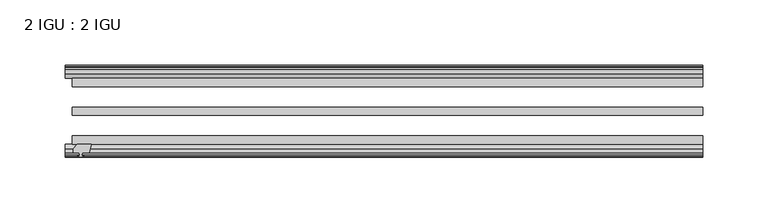
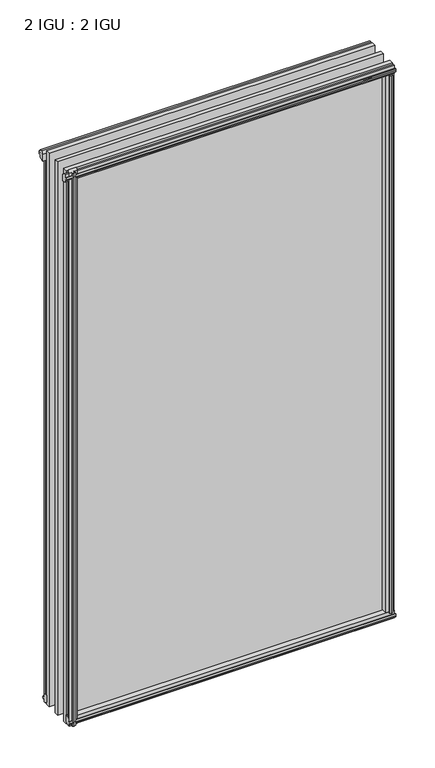
"""IFC4 building model written with IfcOpenShell, lengths in millimetres: plate geometry, 2 IGU : 2 IGU."""

from ifc_helpers import new_model, si_unit, frame, origin, origin_with_axes, place, context, project, spatial, polyline, outline, extrude, source, transform, mapped, element, save


def plate_2_igu_2_igu_c2550a8d(model_context):
    return source(origin(), model_context, "Body", "SweptSolid", [
        extrude(outline(polyline([(-226.2483627, -69.9960936), (-227.9660808, -76.3460936), (-233.1730808, -76.3460936), (-233.5540808, -78.7262905), (-232.1385517, -78.2663573), (-232.1385517, -79.0675715), (-234.3160808, -79.7750936), (-236.4936098, -79.0675715), (-236.4936098, -78.2663573), (-235.0780808, -78.7262905), (-235.4590808, -76.3460936), (-239.9040808, -76.3460936), (-239.9040808, -73.3996936), (-237.0697386, -69.9960936), (-226.2483627, -69.9960936)])), frame((0.0, 0.0, -12.303125), z_axis=(0.0, 0.0, 1.0), x_axis=(1.0, 0.0, 0.0)), (0.0, 0.0, 1.0), 862.961825),
        extrude(outline(polyline([(232.6592517, -10.4746158), (234.8367808, -9.7670937), (237.0143098, -10.4746158), (237.0143098, -11.27583), (235.5987808, -10.8158968), (235.9797808, -13.1960937), (240.4247808, -13.1960937), (240.4247808, -16.1424937), (237.5904386, -19.5460937), (226.7690627, -19.5460937), (228.4867808, -13.1960937), (233.6937808, -13.1960937), (234.0747808, -10.8158968), (232.6592517, -11.27583), (232.6592517, -10.4746158)])), origin_with_axes(), (0.0, 0.0, 1.0), 838.2),
        extrude(outline(polyline([(-19.5460937, 1.5938931), (-13.1960937, -0.123825), (-13.1960937, -5.330825), (-10.8158968, -5.711825), (-11.27583, -4.2962959), (-10.4746158, -4.2962959), (-9.7670937, -6.473825), (-10.4746158, -8.6513541), (-11.27583, -8.6513541), (-10.8158968, -7.235825), (-13.1960937, -7.616825), (-13.1960937, -12.061825), (-16.1424937, -12.061825), (-19.5460937, -9.2274828), (-19.5460937, 1.5938931)])), frame((-240.6660808, 0.0, 0.0), z_axis=(1.0, 0.0, 0.0), x_axis=(0.0, 1.0, 0.0)), (0.0, 0.0, 1.0), 481.3321615),
        extrude(outline(polyline([(-69.9960936, 2.1145931), (-69.9960936, -8.7067828), (-73.3996936, -11.541125), (-76.3460936, -11.541125), (-76.3460936, -7.096125), (-78.7262905, -6.715125), (-78.2663573, -8.1306541), (-79.0675715, -8.1306541), (-79.7750936, -5.953125), (-79.0675715, -3.7755959), (-78.2663573, -3.7755959), (-78.7262905, -5.191125), (-76.3460936, -4.810125), (-76.3460936, 0.396875), (-69.9960936, 2.1145931)])), frame((-240.6660808, 0.0, 0.0), z_axis=(1.0, 0.0, 0.0), x_axis=(0.0, 1.0, 0.0)), (0.0, 0.0, 1.0), 481.3321615),
        extrude(outline(polyline([(-10.8158968, 845.8327), (-11.27583, 847.2482291), (-10.4746158, 847.2482291), (-9.7670937, 845.0707), (-10.4746158, 842.8931709), (-11.27583, 842.8931709), (-10.8158968, 844.3087), (-13.1960937, 843.9277), (-13.1960937, 838.7207), (-19.5460937, 837.0029819), (-19.5460937, 847.8243578), (-16.1424937, 850.6587), (-13.1960937, 850.6587), (-13.1960937, 846.2137), (-10.8158968, 845.8327)])), frame((-246.0121867, 0.0, 0.0), z_axis=(1.0, 0.0, 0.0), x_axis=(0.0, 1.0, 0.0)), (0.0, 0.0, 1.0), 486.6782674),
        extrude(outline(polyline([(-76.3460936, 850.138), (-73.3996936, 850.138), (-69.9960936, 847.3036578), (-69.9960936, 836.4822819), (-76.3460936, 838.2), (-76.3460936, 843.407), (-78.7262905, 843.788), (-78.2663573, 842.3724709), (-79.0675715, 842.3724709), (-79.7750936, 844.55), (-79.0675715, 846.7275291), (-78.2663573, 846.7275291), (-78.7262905, 845.312), (-76.3460936, 845.693), (-76.3460936, 850.138)])), frame((-246.0121867, 0.0, 0.0), z_axis=(1.0, 0.0, 0.0), x_axis=(0.0, 1.0, 0.0)), (0.0, 0.0, 1.0), 486.6782674),
        extrude(outline(polyline([(226.2483627, -69.9960936), (237.0697386, -69.9960936), (239.9040808, -73.3996936), (239.9040808, -76.3460936), (235.4590808, -76.3460936), (235.0780808, -78.7262905), (236.4936098, -78.2663573), (236.4936098, -79.0675715), (234.3160808, -79.7750936), (232.1385517, -79.0675715), (232.1385517, -78.2663573), (233.5540808, -78.7262905), (233.1730808, -76.3460936), (227.9660808, -76.3460936), (226.2483627, -69.9960936)])), origin_with_axes(), (0.0, 0.0, 1.0), 838.2),
        extrude(outline(polyline([(-234.8367808, -9.7670937), (-232.6592517, -10.4746158), (-232.6592517, -11.27583), (-234.0747808, -10.8158968), (-233.6937808, -13.1960937), (-228.4867808, -13.1960937), (-226.7690627, -19.5460937), (-237.5904386, -19.5460937), (-240.4247808, -16.1424937), (-240.4247808, -13.1960937), (-235.9797808, -13.1960937), (-235.5987808, -10.8158968), (-237.0143098, -11.27583), (-237.0143098, -10.4746158), (-234.8367808, -9.7670937)])), origin_with_axes(), (0.0, 0.0, 1.0), 838.2),
        extrude(outline(polyline([(240.6660808, -19.5460937), (240.6660808, -25.8960937), (-240.6660808, -25.8960937), (-240.6660808, -19.5460937), (240.6660808, -19.5460937)])), frame((0.0, 0.0, -12.303125), z_axis=(0.0, 0.0, 1.0), x_axis=(1.0, 0.0, 0.0)), (0.0, 0.0, 1.0), 863.203125),
        extrude(outline(polyline([(-240.6660808, -41.5960937), (240.6660808, -41.5960937), (240.6660808, -47.9460937), (-240.6660808, -47.9460937), (-240.6660808, -41.5960937)])), frame((0.0, 0.0, -12.303125), z_axis=(0.0, 0.0, 1.0), x_axis=(1.0, 0.0, 0.0)), (0.0, 0.0, 1.0), 863.203125),
        extrude(outline(polyline([(240.6660808, -63.6460936), (240.6660808, -69.9960936), (-240.6660808, -69.9960936), (-240.6660808, -63.6460936), (240.6660808, -63.6460936)])), frame((0.0, 0.0, -12.303125), z_axis=(0.0, 0.0, 1.0), x_axis=(1.0, 0.0, 0.0)), (0.0, 0.0, 1.0), 863.203125),
    ])


if __name__ == "__main__":
    model = new_model("IFC4")
    model_context = context("Model", 3, world=origin())
    ifc_project = project(units=[si_unit("LENGTHUNIT", "METRE", prefix="MILLI")], contexts=[model_context])
    site = spatial("IfcSite", under=ifc_project)
    building = spatial("IfcBuilding", under=site)
    placement = place(None, origin())
    plate_2_igu_2_igu_shape = plate_2_igu_2_igu_c2550a8d(model_context)
    element("IfcPlate", 1, ObjectType="2 IGU : 2 IGU", at=placement, inside=building, context=model_context, shape_type="MappedRepresentation", body=[
        mapped(plate_2_igu_2_igu_shape, transform((0.0, 0.0, 0.0), x_axis=(1.0, 0.0, 0.0), y_axis=(0.0, 1.0, 0.0), z_axis=(0.0, 0.0, 1.0))),
    ])
    save(model, "model.ifc")
